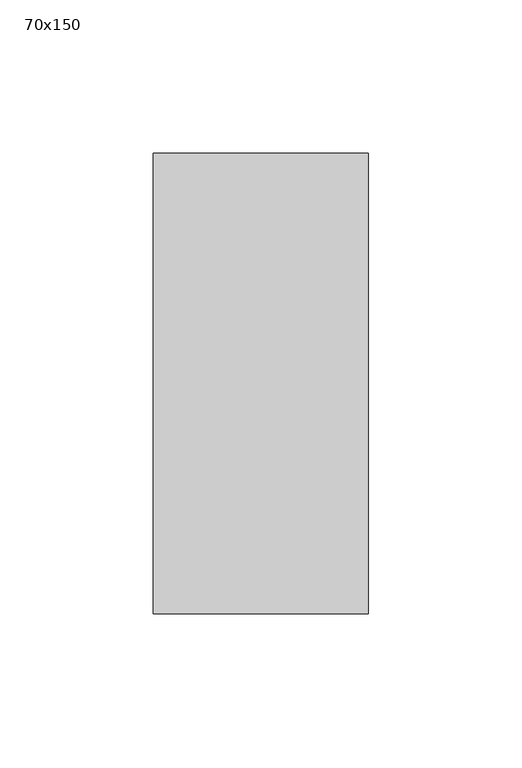
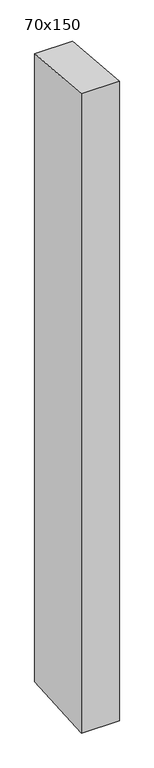
"""IFC4 building model written with IfcOpenShell, lengths in millimetres: member geometry, 70x150."""

from ifc_helpers import new_model, si_unit, frame, origin, place, context, project, spatial, polyline, outline, extrude, source, transform, mapped, element, save


def member_70x150_56af4ca9(model_context):
    return source(origin(), model_context, "Body", "SweptSolid", [
        extrude(outline(polyline([(-75.0, 6.0757039), (75.0, -6.0757039), (75.0, -1234.4921474), (-75.0, -1244.3868567), (-75.0, 6.0757039)])), frame((-35.0, 0.0, 0.0), z_axis=(1.0, 0.0, 0.0), x_axis=(0.0, 1.0, 0.0)), (0.0, 0.0, 1.0), 70.0),
    ])


if __name__ == "__main__":
    model = new_model("IFC4")
    model_context = context("Model", 3, world=origin())
    ifc_project = project(units=[si_unit("LENGTHUNIT", "METRE", prefix="MILLI")], contexts=[model_context])
    site = spatial("IfcSite", under=ifc_project)
    building = spatial("IfcBuilding", under=site)
    placement = place(None, origin())
    member_70x150_shape = member_70x150_56af4ca9(model_context)
    element("IfcMember", 1, ObjectType="70x150", at=placement, inside=building, context=model_context, shape_type="MappedRepresentation", body=[
        mapped(member_70x150_shape, transform((0.0, 0.0, 0.0), x_axis=(1.0, 0.0, 0.0), y_axis=(0.0, 1.0, 0.0), z_axis=(0.0, 0.0, 1.0))),
    ])
    save(model, "model.ifc")
